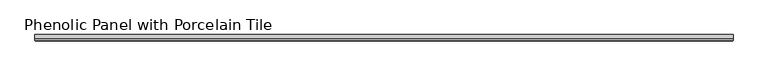
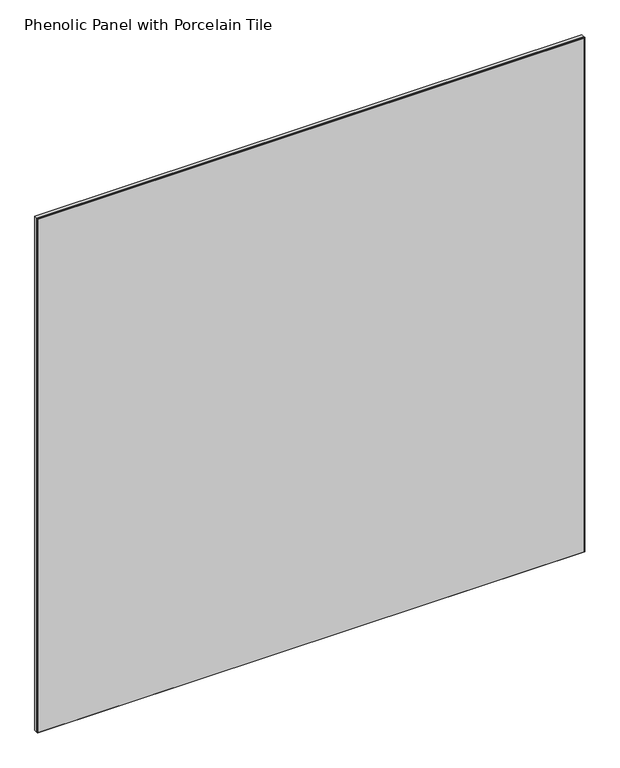
"""IFC4 building model written with IfcOpenShell, lengths in millimetres: proxy geometry, Phenolic Panel with Porcelain Tile."""

import ifcopenshell
import ifcopenshell.guid

model = None  # the IFC model being written
_history = None  # IfcOwnerHistory: only IFC2X3 demands one
_inside = {}  # id of a spatial element -> (the spatial element, [elements in it])
_under = {}  # id of a project, library or spatial element -> (it, [spatial elements below it])
_declared = {}  # id of a project -> (the project, [libraries it declares])
_typed = {}  # id of a type object -> (the type object, [elements of that type])
_made_of = {}  # id of a material, layer set ... -> (it, [elements and type objects made of it])


def new_model(schema):
    """Start an empty IFC model of exactly this schema.

    Asked for "IFC4X3", IfcOpenShell would pick the latest addendum, in which some entities
    have other attributes; the version numbers below select the first issue.
    IFC2X3 requires an IfcOwnerHistory on every rooted entity: one is made here for all.
    """
    global model, _history
    if schema == "IFC4X3":
        model = ifcopenshell.file(schema_version=(4, 3, 0, 0))
    else:
        model = ifcopenshell.file(schema=schema)
    _inside.clear()
    _under.clear()
    _declared.clear()
    _typed.clear()
    _made_of.clear()
    _history = None
    if model.schema == "IFC2X3":
        org = make("IfcOrganization", Name="unknown")
        user = make(
            "IfcPersonAndOrganization",
            ThePerson=make("IfcPerson", FamilyName="unknown"),
            TheOrganization=org,
        )
        app = make(
            "IfcApplication",
            ApplicationDeveloper=org,
            Version="unknown",
            ApplicationFullName="unknown",
            ApplicationIdentifier="unknown",
        )
        _history = make(
            "IfcOwnerHistory",
            OwningUser=user,
            OwningApplication=app,
            ChangeAction="ADDED",
            CreationDate=0,
        )
    return model


def make(cls, **values):
    """One entity of the class cls with the attributes given. An attribute that is None is left unset."""
    return model.create_entity(
        cls, **{name: value for name, value in values.items() if value is not None}
    )


def rooted(cls, **values):
    """An entity with a GlobalId (a new one), such as an element, a storey or a relation."""
    return make(cls, GlobalId=ifcopenshell.guid.new(), OwnerHistory=_history, **values)


def si_unit(unit_type, name, prefix=None):
    """IfcSIUnit, for example si_unit("LENGTHUNIT", "METRE", prefix="MILLI")."""
    return make("IfcSIUnit", UnitType=unit_type, Prefix=prefix, Name=name)


def assignment(units):
    """IfcUnitAssignment: the units of a project."""
    return None if units is None else make("IfcUnitAssignment", Units=units)


def point(xyz):
    """IfcCartesianPoint."""
    return None if xyz is None else make("IfcCartesianPoint", Coordinates=xyz)


def direction(xyz):
    """IfcDirection."""
    return None if xyz is None else make("IfcDirection", DirectionRatios=xyz)


def frame(location, z_axis=None, x_axis=None):
    """IfcAxis2Placement3D, a coordinate frame: its origin and axes. An axis left out is left unset."""
    return make(
        "IfcAxis2Placement3D",
        Location=point(location),
        Axis=direction(z_axis),
        RefDirection=direction(x_axis),
    )


def origin():
    """The frame at (0, 0, 0) with its axes left unset."""
    return frame((0.0, 0.0, 0.0))


def origin_with_axes():
    """The frame at (0, 0, 0) with the z axis (0, 0, 1) and the x axis (1, 0, 0) written out."""
    return frame((0.0, 0.0, 0.0), z_axis=(0.0, 0.0, 1.0), x_axis=(1.0, 0.0, 0.0))


def place(relative_to, where):
    """IfcLocalPlacement: puts the frame where relative to a parent placement (None: the world)."""
    return make(
        "IfcLocalPlacement", PlacementRelTo=relative_to, RelativePlacement=where
    )


def context(
    kind, dimensions, precision=None, world=None, true_north=None, identifier=None
):
    """IfcGeometricRepresentationContext, for example the 3D "Model" context."""
    return make(
        "IfcGeometricRepresentationContext",
        ContextIdentifier=identifier,
        ContextType=kind,
        CoordinateSpaceDimension=dimensions,
        Precision=precision,
        WorldCoordinateSystem=world,
        TrueNorth=true_north,
    )


def project(units=None, contexts=None):
    """IfcProject with its units and contexts."""
    return rooted(
        "IfcProject",
        Name="project",
        RepresentationContexts=contexts,
        UnitsInContext=assignment(units),
    )


def spatial(cls, under=None, at=None, **own):
    """A site, building, storey or space (cls), placed at a placement, below another one or the project."""
    s = rooted(cls, ObjectPlacement=at, **own)
    if under is not None:
        _under.setdefault(under.id(), (under, []))[1].append(s)
    return s


def polyline(points):
    """IfcPolyline through the points."""
    return make("IfcPolyline", Points=[point(p) for p in points])


def outline(outer, holes=None, kind="AREA"):
    """IfcArbitraryClosedProfileDef: a profile drawn as a closed curve; with holes, ...WithVoids."""
    if holes is None:
        return make("IfcArbitraryClosedProfileDef", ProfileType=kind, OuterCurve=outer)
    return make(
        "IfcArbitraryProfileDefWithVoids",
        ProfileType=kind,
        OuterCurve=outer,
        InnerCurves=holes,
    )


def extrude(swept, where, along, depth):
    """IfcExtrudedAreaSolid: the profile swept, set in the frame where, extruded along a direction by depth."""
    return make(
        "IfcExtrudedAreaSolid",
        SweptArea=swept,
        Position=where,
        ExtrudedDirection=direction(along),
        Depth=depth,
    )


def faces_of(points, faces, orient=None, outer=None):
    """IfcFace entities. A face is a list of loops; a loop is a list of indices into points, from 0.

    orient and outer hold one flag for each loop. By default every Orientation is true, the
    first loop of a face is its IfcFaceOuterBound and the others are IfcFaceBound.
    """
    made = []
    for i, loops in enumerate(faces):
        bounds = []
        for j, loop in enumerate(loops):
            is_outer = j == 0 if outer is None else outer[i][j]
            bounds.append(
                make(
                    "IfcFaceOuterBound" if is_outer else "IfcFaceBound",
                    Bound=make("IfcPolyLoop", Polygon=[points[k] for k in loop]),
                    Orientation=True if orient is None else orient[i][j],
                )
            )
        made.append(make("IfcFace", Bounds=bounds))
    return made


def faceted_brep(points, faces, orient=None, outer=None, voids=None):
    """IfcFacetedBrep: a solid bounded by flat faces; with voids (closed shells), ...WithVoids."""
    shared = [point(p) for p in points]
    hull = make("IfcClosedShell", CfsFaces=faces_of(shared, faces, orient, outer))
    if voids is None:
        return make("IfcFacetedBrep", Outer=hull)
    return make(
        "IfcFacetedBrepWithVoids",
        Outer=hull,
        Voids=[
            make(cls, CfsFaces=faces_of(shared, fs, o, b)) for cls, fs, o, b in voids
        ],
    )


def shape(context_of_items, identifier, shape_type, items):
    """IfcShapeRepresentation: the items that make up one representation, for example the "Body"."""
    return make(
        "IfcShapeRepresentation",
        ContextOfItems=context_of_items,
        RepresentationIdentifier=identifier,
        RepresentationType=shape_type,
        Items=items,
    )


def source(mapping_origin, context_of_items, identifier, shape_type, items):
    """IfcRepresentationMap: a shape defined once, which mapped items show again and again."""
    return make(
        "IfcRepresentationMap",
        MappingOrigin=mapping_origin,
        MappedRepresentation=shape(context_of_items, identifier, shape_type, items),
    )


def transform(
    local_origin,
    x_axis=None,
    y_axis=None,
    z_axis=None,
    scale=None,
    scale2=None,
    scale3=None,
    uniform=True,
):
    """IfcCartesianTransformationOperator3D, or its non-uniform kind. x_axis, y_axis, z_axis: its Axis1, 2, 3."""
    if uniform:
        return make(
            "IfcCartesianTransformationOperator3D",
            Axis1=direction(x_axis),
            Axis2=direction(y_axis),
            LocalOrigin=point(local_origin),
            Scale=scale,
            Axis3=direction(z_axis),
        )
    return make(
        "IfcCartesianTransformationOperator3DnonUniform",
        Axis1=direction(x_axis),
        Axis2=direction(y_axis),
        LocalOrigin=point(local_origin),
        Scale=scale,
        Axis3=direction(z_axis),
        Scale2=scale2,
        Scale3=scale3,
    )


def mapped(mapping_source, mapping_target):
    """IfcMappedItem: shows the shape of a source again, moved by a transform."""
    return make(
        "IfcMappedItem", MappingSource=mapping_source, MappingTarget=mapping_target
    )


def made_of(thing, what):
    """Note that an element or type object is made of a material, layer set ...; save() writes the relation."""
    if what is not None:
        _made_of.setdefault(what.id(), (what, []))[1].append(thing)
    return thing


def element(
    cls,
    number,
    at=None,
    inside=None,
    cuts=None,
    type_object=None,
    material=None,
    context=None,
    identifier="Body",
    shape_type=None,
    held_by="IfcProductDefinitionShape",
    body=None,
    shapes=None,
    **own,
):
    """One element of the class cls, such as IfcWall. Its Tag is "e" and its number.

    at: its placement. inside: the storey or other place that contains it. cuts: it is an
    opening in that element (IfcRelVoidsElement). A single representation is given by context,
    identifier, shape_type and body (its items); several are given by shapes. held_by: the class
    of the entity that holds the representations. save() writes the other relations.
    """
    e = rooted(cls, Tag="e%d" % number, ObjectPlacement=at, **own)
    if body is not None:
        shapes = [shape(context, identifier, shape_type, body)]
    if shapes is not None:
        e.Representation = make(held_by, Representations=shapes)
    if inside is not None:
        _inside.setdefault(inside.id(), (inside, []))[1].append(e)
    if cuts is not None:
        rooted(
            "IfcRelVoidsElement", RelatingBuildingElement=cuts, RelatedOpeningElement=e
        )
    if type_object is not None:
        _typed.setdefault(type_object.id(), (type_object, []))[1].append(e)
    return made_of(e, material)


def aggregate(whole, parts):
    """IfcRelAggregates: a whole, such as a stair, and the parts it consists of."""
    return rooted("IfcRelAggregates", RelatingObject=whole, RelatedObjects=parts)


def save(model, path):
    """Write the relations noted so far, then the file.

    IfcRelAggregates (storeys below a building ...), IfcRelContainedInSpatialStructure (elements
    in a storey), IfcRelDefinesByType, IfcRelAssociatesMaterial and IfcRelDeclares: one each for
    every whole, place, type object, material and project.
    """
    for whole, parts in _under.values():
        aggregate(whole, parts)
    for where, things in _inside.values():
        rooted(
            "IfcRelContainedInSpatialStructure",
            RelatedElements=things,
            RelatingStructure=where,
        )
    for kind, things in _typed.values():
        rooted("IfcRelDefinesByType", RelatedObjects=things, RelatingType=kind)
    for what, things in _made_of.values():
        rooted("IfcRelAssociatesMaterial", RelatedObjects=things, RelatingMaterial=what)
    for by, libraries in _declared.values():
        rooted("IfcRelDeclares", RelatingContext=by, RelatedDefinitions=libraries)
    model.write(path)


def phenolic_panel_with_porcelain_tile_eb2cdbc0(model_context):
    return source(origin(), model_context, "Body", "SolidModel", [
        faceted_brep([(-73.025, -3.175, 1063.625), (-73.025, -5.55625, 1063.625), (998.5375, -5.5546839, 1063.625), (998.5375, -3.175, 1063.625), (-73.025, -3.175, 0.0), (998.5375, -3.175, 0.0), (998.5375, -5.55625, 0.0), (-73.025, -5.5571697, 0.0), (-72.23125, -6.35, 1062.8296839), (-72.23125, -6.35, 0.7926621), (997.74375, -6.35, 0.7926621), (997.74375, -6.35, 1062.8296839)], [[[0, 1, 2, 3]], [[4, 5, 6, 7]], [[1, 0, 4, 7]], [[8, 9, 10, 11]], [[3, 2, 6, 5]], [[1, 7, 9, 8]], [[6, 2, 11, 10]], [[2, 1, 8, 11]], [[7, 6, 10, 9]], [[0, 3, 5, 4]]]),
        extrude(outline(polyline([(998.5375, 3.175), (998.5375, -3.175), (-73.025, -3.175), (-73.025, 3.175), (998.5375, 3.175)])), origin_with_axes(), (0.0, 0.0, 1.0), 1063.625),
    ])


if __name__ == "__main__":
    model = new_model("IFC4")
    model_context = context("Model", 3, world=origin())
    ifc_project = project(units=[si_unit("LENGTHUNIT", "METRE", prefix="MILLI")], contexts=[model_context])
    site = spatial("IfcSite", under=ifc_project)
    building = spatial("IfcBuilding", under=site)
    placement = place(None, origin())
    phenolic_panel_with_porcelain_tile_shape = phenolic_panel_with_porcelain_tile_eb2cdbc0(model_context)
    element("IfcBuildingElementProxy", 1, Name="Phenolic Panel with Porcelain Tile", ObjectType="Phenolic Panel with Porcelain Tile", at=placement, inside=building, context=model_context, shape_type="MappedRepresentation", body=[
        mapped(phenolic_panel_with_porcelain_tile_shape, transform((0.0, 0.0, 0.0), x_axis=(1.0, 0.0, 0.0), y_axis=(0.0, 1.0, 0.0), z_axis=(0.0, 0.0, 1.0))),
    ])
    save(model, "model.ifc")
